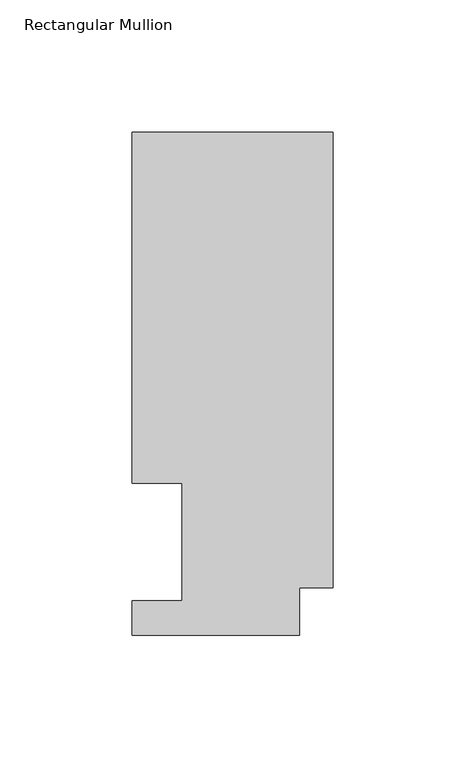
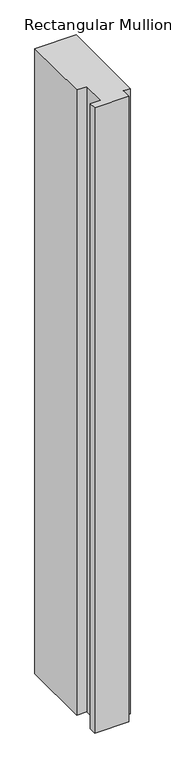
"""IFC4 building model written with IfcOpenShell, lengths in millimetres: member geometry, Rectangular Mullion."""

import ifcopenshell
import ifcopenshell.guid

model = None  # the IFC model being written
_history = None  # IfcOwnerHistory: only IFC2X3 demands one
_inside = {}  # id of a spatial element -> (the spatial element, [elements in it])
_under = {}  # id of a project, library or spatial element -> (it, [spatial elements below it])
_declared = {}  # id of a project -> (the project, [libraries it declares])
_typed = {}  # id of a type object -> (the type object, [elements of that type])
_made_of = {}  # id of a material, layer set ... -> (it, [elements and type objects made of it])


def new_model(schema):
    """Start an empty IFC model of exactly this schema.

    Asked for "IFC4X3", IfcOpenShell would pick the latest addendum, in which some entities
    have other attributes; the version numbers below select the first issue.
    IFC2X3 requires an IfcOwnerHistory on every rooted entity: one is made here for all.
    """
    global model, _history
    if schema == "IFC4X3":
        model = ifcopenshell.file(schema_version=(4, 3, 0, 0))
    else:
        model = ifcopenshell.file(schema=schema)
    _inside.clear()
    _under.clear()
    _declared.clear()
    _typed.clear()
    _made_of.clear()
    _history = None
    if model.schema == "IFC2X3":
        org = make("IfcOrganization", Name="unknown")
        user = make(
            "IfcPersonAndOrganization",
            ThePerson=make("IfcPerson", FamilyName="unknown"),
            TheOrganization=org,
        )
        app = make(
            "IfcApplication",
            ApplicationDeveloper=org,
            Version="unknown",
            ApplicationFullName="unknown",
            ApplicationIdentifier="unknown",
        )
        _history = make(
            "IfcOwnerHistory",
            OwningUser=user,
            OwningApplication=app,
            ChangeAction="ADDED",
            CreationDate=0,
        )
    return model


def make(cls, **values):
    """One entity of the class cls with the attributes given. An attribute that is None is left unset."""
    return model.create_entity(
        cls, **{name: value for name, value in values.items() if value is not None}
    )


def rooted(cls, **values):
    """An entity with a GlobalId (a new one), such as an element, a storey or a relation."""
    return make(cls, GlobalId=ifcopenshell.guid.new(), OwnerHistory=_history, **values)


def si_unit(unit_type, name, prefix=None):
    """IfcSIUnit, for example si_unit("LENGTHUNIT", "METRE", prefix="MILLI")."""
    return make("IfcSIUnit", UnitType=unit_type, Prefix=prefix, Name=name)


def assignment(units):
    """IfcUnitAssignment: the units of a project."""
    return None if units is None else make("IfcUnitAssignment", Units=units)


def point(xyz):
    """IfcCartesianPoint."""
    return None if xyz is None else make("IfcCartesianPoint", Coordinates=xyz)


def direction(xyz):
    """IfcDirection."""
    return None if xyz is None else make("IfcDirection", DirectionRatios=xyz)


def frame(location, z_axis=None, x_axis=None):
    """IfcAxis2Placement3D, a coordinate frame: its origin and axes. An axis left out is left unset."""
    return make(
        "IfcAxis2Placement3D",
        Location=point(location),
        Axis=direction(z_axis),
        RefDirection=direction(x_axis),
    )


def origin():
    """The frame at (0, 0, 0) with its axes left unset."""
    return frame((0.0, 0.0, 0.0))


def place(relative_to, where):
    """IfcLocalPlacement: puts the frame where relative to a parent placement (None: the world)."""
    return make(
        "IfcLocalPlacement", PlacementRelTo=relative_to, RelativePlacement=where
    )


def context(
    kind, dimensions, precision=None, world=None, true_north=None, identifier=None
):
    """IfcGeometricRepresentationContext, for example the 3D "Model" context."""
    return make(
        "IfcGeometricRepresentationContext",
        ContextIdentifier=identifier,
        ContextType=kind,
        CoordinateSpaceDimension=dimensions,
        Precision=precision,
        WorldCoordinateSystem=world,
        TrueNorth=true_north,
    )


def project(units=None, contexts=None):
    """IfcProject with its units and contexts."""
    return rooted(
        "IfcProject",
        Name="project",
        RepresentationContexts=contexts,
        UnitsInContext=assignment(units),
    )


def spatial(cls, under=None, at=None, **own):
    """A site, building, storey or space (cls), placed at a placement, below another one or the project."""
    s = rooted(cls, ObjectPlacement=at, **own)
    if under is not None:
        _under.setdefault(under.id(), (under, []))[1].append(s)
    return s


def polyline(points):
    """IfcPolyline through the points."""
    return make("IfcPolyline", Points=[point(p) for p in points])


def outline(outer, holes=None, kind="AREA"):
    """IfcArbitraryClosedProfileDef: a profile drawn as a closed curve; with holes, ...WithVoids."""
    if holes is None:
        return make("IfcArbitraryClosedProfileDef", ProfileType=kind, OuterCurve=outer)
    return make(
        "IfcArbitraryProfileDefWithVoids",
        ProfileType=kind,
        OuterCurve=outer,
        InnerCurves=holes,
    )


def extrude(swept, where, along, depth):
    """IfcExtrudedAreaSolid: the profile swept, set in the frame where, extruded along a direction by depth."""
    return make(
        "IfcExtrudedAreaSolid",
        SweptArea=swept,
        Position=where,
        ExtrudedDirection=direction(along),
        Depth=depth,
    )


def shape(context_of_items, identifier, shape_type, items):
    """IfcShapeRepresentation: the items that make up one representation, for example the "Body"."""
    return make(
        "IfcShapeRepresentation",
        ContextOfItems=context_of_items,
        RepresentationIdentifier=identifier,
        RepresentationType=shape_type,
        Items=items,
    )


def source(mapping_origin, context_of_items, identifier, shape_type, items):
    """IfcRepresentationMap: a shape defined once, which mapped items show again and again."""
    return make(
        "IfcRepresentationMap",
        MappingOrigin=mapping_origin,
        MappedRepresentation=shape(context_of_items, identifier, shape_type, items),
    )


def transform(
    local_origin,
    x_axis=None,
    y_axis=None,
    z_axis=None,
    scale=None,
    scale2=None,
    scale3=None,
    uniform=True,
):
    """IfcCartesianTransformationOperator3D, or its non-uniform kind. x_axis, y_axis, z_axis: its Axis1, 2, 3."""
    if uniform:
        return make(
            "IfcCartesianTransformationOperator3D",
            Axis1=direction(x_axis),
            Axis2=direction(y_axis),
            LocalOrigin=point(local_origin),
            Scale=scale,
            Axis3=direction(z_axis),
        )
    return make(
        "IfcCartesianTransformationOperator3DnonUniform",
        Axis1=direction(x_axis),
        Axis2=direction(y_axis),
        LocalOrigin=point(local_origin),
        Scale=scale,
        Axis3=direction(z_axis),
        Scale2=scale2,
        Scale3=scale3,
    )


def mapped(mapping_source, mapping_target):
    """IfcMappedItem: shows the shape of a source again, moved by a transform."""
    return make(
        "IfcMappedItem", MappingSource=mapping_source, MappingTarget=mapping_target
    )


def made_of(thing, what):
    """Note that an element or type object is made of a material, layer set ...; save() writes the relation."""
    if what is not None:
        _made_of.setdefault(what.id(), (what, []))[1].append(thing)
    return thing


def element(
    cls,
    number,
    at=None,
    inside=None,
    cuts=None,
    type_object=None,
    material=None,
    context=None,
    identifier="Body",
    shape_type=None,
    held_by="IfcProductDefinitionShape",
    body=None,
    shapes=None,
    **own,
):
    """One element of the class cls, such as IfcWall. Its Tag is "e" and its number.

    at: its placement. inside: the storey or other place that contains it. cuts: it is an
    opening in that element (IfcRelVoidsElement). A single representation is given by context,
    identifier, shape_type and body (its items); several are given by shapes. held_by: the class
    of the entity that holds the representations. save() writes the other relations.
    """
    e = rooted(cls, Tag="e%d" % number, ObjectPlacement=at, **own)
    if body is not None:
        shapes = [shape(context, identifier, shape_type, body)]
    if shapes is not None:
        e.Representation = make(held_by, Representations=shapes)
    if inside is not None:
        _inside.setdefault(inside.id(), (inside, []))[1].append(e)
    if cuts is not None:
        rooted(
            "IfcRelVoidsElement", RelatingBuildingElement=cuts, RelatedOpeningElement=e
        )
    if type_object is not None:
        _typed.setdefault(type_object.id(), (type_object, []))[1].append(e)
    return made_of(e, material)


def aggregate(whole, parts):
    """IfcRelAggregates: a whole, such as a stair, and the parts it consists of."""
    return rooted("IfcRelAggregates", RelatingObject=whole, RelatedObjects=parts)


def save(model, path):
    """Write the relations noted so far, then the file.

    IfcRelAggregates (storeys below a building ...), IfcRelContainedInSpatialStructure (elements
    in a storey), IfcRelDefinesByType, IfcRelAssociatesMaterial and IfcRelDeclares: one each for
    every whole, place, type object, material and project.
    """
    for whole, parts in _under.values():
        aggregate(whole, parts)
    for where, things in _inside.values():
        rooted(
            "IfcRelContainedInSpatialStructure",
            RelatedElements=things,
            RelatingStructure=where,
        )
    for kind, things in _typed.values():
        rooted("IfcRelDefinesByType", RelatedObjects=things, RelatingType=kind)
    for what, things in _made_of.values():
        rooted("IfcRelAssociatesMaterial", RelatedObjects=things, RelatingMaterial=what)
    for by, libraries in _declared.values():
        rooted("IfcRelDeclares", RelatingContext=by, RelatedDefinitions=libraries)
    model.write(path)


def rectangular_mullion_f9f47604(model_context):
    return source(origin(), model_context, "Body", "SweptSolid", [
        extrude(outline(polyline([(0.0, 190.5896937), (0.0, 17.9712937), (-12.7, 17.9712937), (-12.7, 0.0134937), (-76.2, 0.0134937), (-76.2, 13.1960937), (-57.15, 13.1960937), (-57.15, 57.6460937), (-76.2, 57.6460937), (-76.2, 190.5896937), (0.0, 190.5896937)])), frame((0.0, 0.0, -1219.2), z_axis=(0.0, 0.0, 1.0), x_axis=(1.0, 0.0, 0.0)), (0.0, 0.0, 1.0), 1219.2),
    ])


if __name__ == "__main__":
    model = new_model("IFC4")
    model_context = context("Model", 3, world=origin())
    ifc_project = project(units=[si_unit("LENGTHUNIT", "METRE", prefix="MILLI")], contexts=[model_context])
    site = spatial("IfcSite", under=ifc_project)
    building = spatial("IfcBuilding", under=site)
    placement = place(None, origin())
    rectangular_mullion_shape = rectangular_mullion_f9f47604(model_context)
    element("IfcMember", 1, ObjectType="Rectangular Mullion", at=placement, inside=building, context=model_context, shape_type="MappedRepresentation", body=[
        mapped(rectangular_mullion_shape, transform((0.0, 0.0, 0.0), x_axis=(1.0, 0.0, 0.0), y_axis=(0.0, 1.0, 0.0), z_axis=(0.0, 0.0, 1.0))),
    ])
    save(model, "model.ifc")
